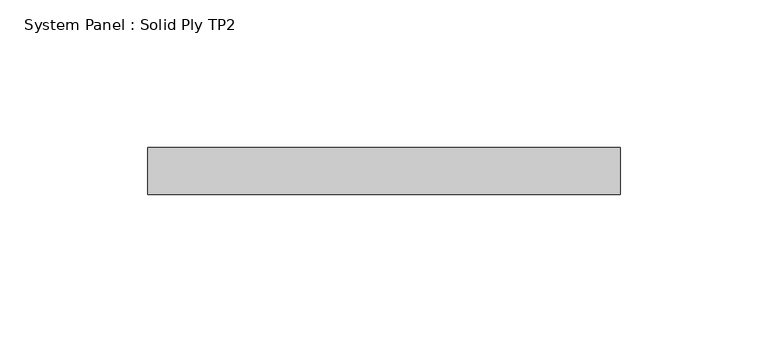
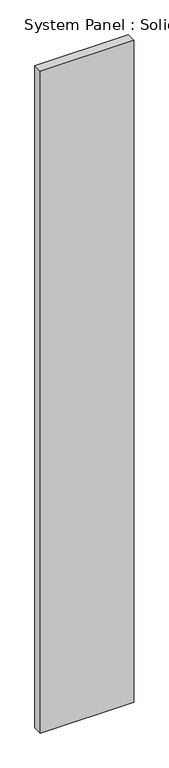
"""IFC4 building model written with IfcOpenShell, lengths in millimetres: plate geometry, System Panel : Solid Ply TP2."""

from ifc_helpers import new_model, si_unit, origin, origin_with_axes, place, context, project, spatial, polyline, outline, extrude, source, transform, mapped, element, save


def system_panel_solid_ply_tp2_76e5fb9c(model_context):
    return source(origin(), model_context, "Body", "SweptSolid", [
        extrude(outline(polyline([(79.9999998, -23.0), (-79.9999998, -23.0), (-79.9999998, -7.0), (79.9999998, -7.0), (79.9999998, -23.0)])), origin_with_axes(), (0.0, 0.0, 1.0), 1200.0),
    ])


if __name__ == "__main__":
    model = new_model("IFC4")
    model_context = context("Model", 3, world=origin())
    ifc_project = project(units=[si_unit("LENGTHUNIT", "METRE", prefix="MILLI")], contexts=[model_context])
    site = spatial("IfcSite", under=ifc_project)
    building = spatial("IfcBuilding", under=site)
    placement = place(None, origin())
    system_panel_solid_ply_tp2_shape = system_panel_solid_ply_tp2_76e5fb9c(model_context)
    element("IfcPlate", 1, ObjectType="System Panel : Solid Ply TP2", at=placement, inside=building, context=model_context, shape_type="MappedRepresentation", body=[
        mapped(system_panel_solid_ply_tp2_shape, transform((0.0, 0.0, 0.0), x_axis=(1.0, 0.0, 0.0), y_axis=(0.0, 1.0, 0.0), z_axis=(0.0, 0.0, 1.0))),
    ])
    save(model, "model.ifc")
